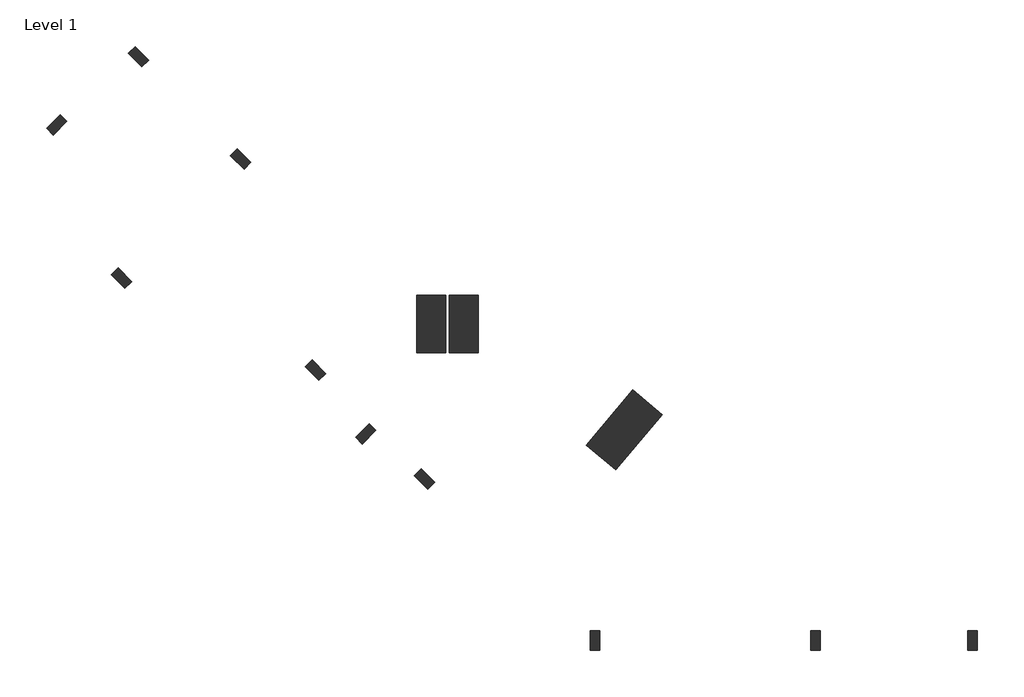
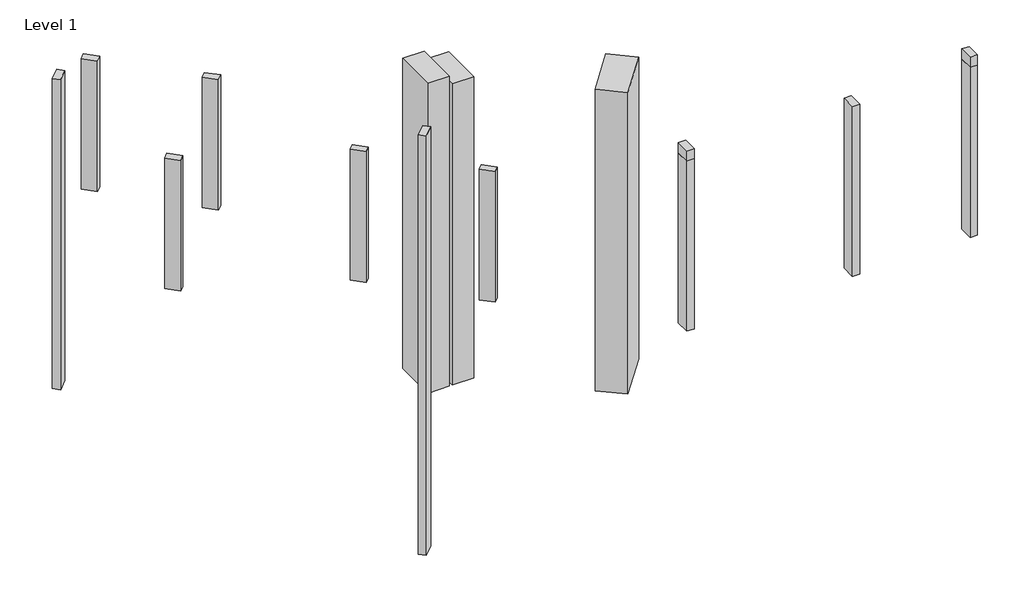
# One storey: 15 columns.
"""IFC4 building model written with IfcOpenShell, lengths in millimetres."""

from ifc_helpers import new_model, si_unit, frame, origin, place, context, project, spatial, polyline, outline, extrude, element, save

model = new_model("IFC4")

# Units and contexts
model_context = context("Model", 3, world=origin())
ifc_project = project(units=[si_unit("LENGTHUNIT", "METRE", prefix="MILLI")], contexts=[model_context])

# Site, building, storey
site = spatial("IfcSite", under=ifc_project)
building = spatial("IfcBuilding", under=site)
storey = spatial("IfcBuildingStorey", under=building, Name="Level 1", Elevation=0.0)

# Columns
placement = place(None, origin())
element("IfcColumn", 1, ObjectType="200x400", at=placement, inside=storey, context=model_context, shape_type="SweptSolid", body=[
    extrude(outline(polyline([(-5154.0799298, 6819.5888059), (-5012.6585736, 6961.0101622), (-4729.8158611, 6678.1674497), (-4871.2372173, 6536.7460934), (-5154.0799298, 6819.5888059)])), frame((0.0, 0.0, -1975.0), z_axis=(0.0, 0.0, 1.0), x_axis=(1.0, 0.0, 0.0)), (0.0, 0.0, 1.0), 3825.0),
])
element("IfcColumn", 2, ObjectType="200x400", at=placement, inside=storey, context=model_context, shape_type="SweptSolid", body=[
    extrude(outline(polyline([(-3031.0874633, 4696.5963394), (-2889.6661071, 4838.0176957), (-2606.8233946, 4555.1749832), (-2748.2447508, 4413.753627), (-3031.0874633, 4696.5963394)])), frame((0.0, 0.0, -1975.0), z_axis=(0.0, 0.0, 1.0), x_axis=(1.0, 0.0, 0.0)), (0.0, 0.0, 1.0), 3825.0),
])
element("IfcColumn", 3, ObjectType="200x400", at=placement, inside=storey, context=model_context, shape_type="SweptSolid", body=[
    extrude(outline(polyline([(-1475.4525447, 312.5342961), (-1334.0311885, 453.9556523), (-1051.188476, 171.1129398), (-1192.6098322, 29.6915836), (-1475.4525447, 312.5342961)])), frame((0.0, 0.0, -1975.0), z_axis=(0.0, 0.0, 1.0), x_axis=(1.0, 0.0, 0.0)), (0.0, 0.0, 1.0), 3825.0),
])
element("IfcColumn", 4, ObjectType="200x400", at=placement, inside=storey, context=model_context, shape_type="SweptSolid", body=[
    extrude(outline(polyline([(787.2891551, -1950.2074037), (928.7105113, -1808.7860475), (1211.5532238, -2091.6287599), (1070.1318676, -2233.0501162), (787.2891551, -1950.2074037)])), frame((0.0, 0.0, -1975.0), z_axis=(0.0, 0.0, 1.0), x_axis=(1.0, 0.0, 0.0)), (0.0, 0.0, 1.0), 3825.0),
])
element("IfcColumn", 5, ObjectType="200x400", at=placement, inside=storey, context=model_context, shape_type="SweptSolid", body=[
    extrude(outline(polyline([(-5081.6971288, 2080.301249), (-5223.118485, 1938.8798928), (-5505.9611975, 2221.7226053), (-5364.5398412, 2363.1439615), (-5081.6971288, 2080.301249)])), frame((0.0, 0.0, -1975.0), z_axis=(0.0, 0.0, 1.0), x_axis=(1.0, 0.0, 0.0)), (0.0, 0.0, 1.0), 3825.0),
])
element("IfcColumn", 6, ObjectType="200x400", at=placement, inside=storey, context=model_context, shape_type="SweptSolid", body=[
    extrude(outline(polyline([(12281.7581493, -5175.9582947), (12481.7581493, -5175.9594599), (12481.7558189, -5575.9594599), (12281.7558189, -5575.9582947), (12281.7581493, -5175.9582947)])), frame((0.0, 0.0, -1975.0), z_axis=(0.0, 0.0, 1.0), x_axis=(1.0, 0.0, 0.0)), (0.0, 0.0, 1.0), 4975.0),
])
element("IfcColumn", 7, ObjectType="200x400", at=placement, inside=storey, context=model_context, shape_type="SweptSolid", body=[
    extrude(outline(polyline([(9021.7581493, -5175.939302), (9221.7581493, -5175.9404672), (9221.7558189, -5575.9404672), (9021.755819, -5575.939302), (9021.7581493, -5175.939302)])), frame((0.0, 0.0, -1975.0), z_axis=(0.0, 0.0, 1.0), x_axis=(1.0, 0.0, 0.0)), (0.0, 0.0, 1.0), 4975.0),
])
element("IfcColumn", 8, ObjectType="200x400", at=placement, inside=storey, context=model_context, shape_type="SweptSolid", body=[
    extrude(outline(polyline([(4441.7566637, -5175.9126191), (4641.7566637, -5175.9137843), (4641.7543333, -5575.9137842), (4441.7543333, -5575.9126191), (4441.7566637, -5175.9126191)])), frame((0.0, 0.0, -1975.0), z_axis=(0.0, 0.0, 1.0), x_axis=(1.0, 0.0, 0.0)), (0.0, 0.0, 1.0), 4975.0),
])
element("IfcColumn", 9, ObjectType="200x400", at=placement, inside=storey, context=model_context, shape_type="SweptSolid", body=[
    extrude(outline(polyline([(12281.7564015, -5175.9600425), (12481.7564015, -5175.9600425), (12481.7564015, -5575.9600425), (12281.7564015, -5575.9600425), (12281.7564015, -5175.9600425)])), frame((0.0, 0.0, -1975.0), z_axis=(0.0, 0.0, 1.0), x_axis=(1.0, 0.0, 0.0)), (0.0, 0.0, 1.0), 5275.0),
])
element("IfcColumn", 10, ObjectType="200x400", at=placement, inside=storey, context=model_context, shape_type="SweptSolid", body=[
    extrude(outline(polyline([(4441.7560808, -5175.9600425), (4641.7560808, -5175.9600425), (4641.7560808, -5575.9600425), (4441.7560808, -5575.9600425), (4441.7560808, -5175.9600425)])), frame((0.0, 0.0, -1975.0), z_axis=(0.0, 0.0, 1.0), x_axis=(1.0, 0.0, 0.0)), (0.0, 0.0, 1.0), 5275.0),
])
element("IfcColumn", 11, ObjectType="600x1200", at=placement, inside=storey, context=model_context, shape_type="SweptSolid", body=[
    extrude(outline(polyline([(2112.779392, 1801.0776888), (2112.779392, 601.0776888), (1512.779392, 601.0776888), (1512.779392, 1801.0776888), (2112.779392, 1801.0776888)])), frame((0.0, 0.0, -6275.0), z_axis=(0.0, 0.0, 1.0), x_axis=(1.0, 0.0, 0.0)), (0.0, 0.0, 1.0), 8825.0),
])
element("IfcColumn", 12, ObjectType="600x1200", at=placement, inside=storey, context=model_context, shape_type="SweptSolid", body=[
    extrude(outline(polyline([(837.779392, 1801.0776888), (1437.779392, 1801.0776888), (1437.779392, 601.0776888), (837.779392, 601.0776888), (837.779392, 1801.0776888)])), frame((0.0, 0.0, -6275.0), z_axis=(0.0, 0.0, 1.0), x_axis=(1.0, 0.0, 0.0)), (0.0, 0.0, 1.0), 9075.0),
])
element("IfcColumn", 13, ObjectType="600x800", at=placement, inside=storey, context=model_context, shape_type="SweptSolid", body=[
    extrude(outline(polyline([(-6567.6148436, 5546.1178587), (-6426.1934874, 5404.6965025), (-6709.0361999, 5121.85379), (-6850.4575561, 5263.2751462), (-6567.6148436, 5546.1178587)])), frame((0.0, 0.0, -6275.0), z_axis=(0.0, 0.0, 1.0), x_axis=(1.0, 0.0, 0.0)), (0.0, 0.0, 1.0), 9075.0),
])
element("IfcColumn", 14, ObjectType="600x800", at=placement, inside=storey, context=model_context, shape_type="SweptSolid", body=[
    extrude(outline(polyline([(-150.6208044, -870.8761806), (-9.1994481, -1012.2975368), (-292.0421606, -1295.1402493), (-433.4635168, -1153.718893), (-150.6208044, -870.8761806)])), frame((0.0, 0.0, -9475.0), z_axis=(0.0, 0.0, 1.0), x_axis=(1.0, 0.0, 0.0)), (0.0, 0.0, 1.0), 12275.0),
])
element("IfcColumn", 15, ObjectType="800x1500", at=placement, inside=storey, context=model_context, shape_type="SweptSolid", body=[
    extrude(outline(polyline([(5939.3105467, -680.653518), (4975.1291321, -1829.7201827), (4362.2935776, -1315.4900949), (5326.4749922, -166.4234303), (5939.3105467, -680.653518)])), frame((0.0, 0.0, -6275.0), z_axis=(0.0, 0.0, 1.0), x_axis=(1.0, 0.0, 0.0)), (0.0, 0.0, 1.0), 8825.0),
])

save(model, "model.ifc")
